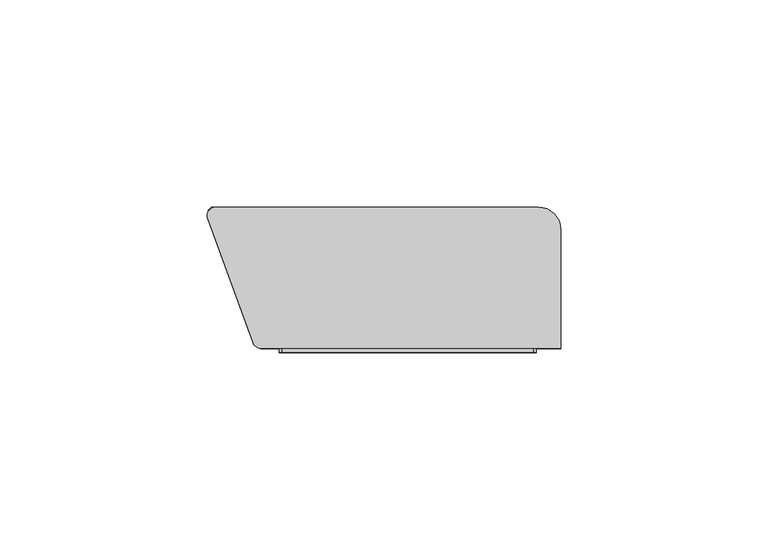
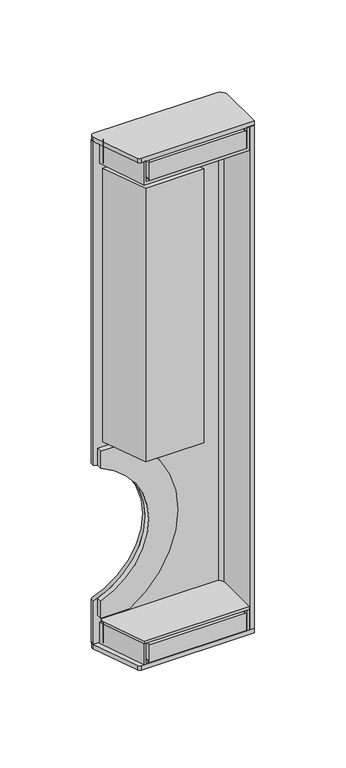
"""IFC4 building model written with IfcOpenShell, lengths in millimetres: furniture geometry."""

from ifc_helpers import new_model, si_unit, point, frame, frame_2d, origin, place, context, project, spatial, polyline, circle_curve, ellipse_curve, trimmed, segment, composite_curve, outline, extrude, faceted_brep, source, transform, mapped, element, save
from ifc_brep_helpers import plane_surface, cylinder_surface, revolved_surface, advanced_brep


def furniture_0615f9e1(model_context):
    return source(origin(), model_context, "Body", "SolidModel", [
        extrude(outline(composite_curve([segment(polyline([(739.2750046, 138.153145), (727.7572597, 138.153145), (727.7572597, 156.3063648)]), True, "CONTINUOUS"), segment(trimmed(circle_curve(frame_2d((784.1500566, 120.2508868)), 66.9338856), [point((727.7572597, 156.3063648))], [point((840.5428535, 156.3063648))], False, "CARTESIAN"), True, "CONTINUOUS"), segment(polyline([(840.5428535, 156.3063648), (840.5428535, 138.153145), (829.0251086, 138.153145)]), True, "CONTINUOUS"), segment(trimmed(circle_curve(frame_2d((784.1500566, 120.2508868)), 48.3141919), [point((829.0251086, 138.153145))], [point((739.2750046, 138.153145))], True, "CARTESIAN"), True, "CONTINUOUS")], self_intersect=False)), frame((0.0, -12.7402598, 0.0), z_axis=(0.0, 1.0, 0.0), x_axis=(0.0, 0.0, 1.0)), (0.0, 0.0, 1.0), 3.4491161),
        advanced_brep(
        [(135.3008658, -9.2911437, 1048.999833), (215.1902302, -9.2911437, 1048.999833), (217.3010361, -11.4019495, 1048.999833), (217.3010361, -40.2929389, 1048.999833), (220.3010118, -40.2929389, 1048.999833), (220.3010118, -11.6438562, 1048.999833), (214.9483551, -6.2911995, 1048.999833), (136.0010118, -6.2911769, 1048.999833), (135.3008658, -6.991323, 1048.999833), (135.3008658, -9.2911437, 709.0005943), (135.3008658, -6.991323, 709.0005943), (136.0010118, -6.2911769, 709.0005943), (214.9483551, -6.2911769, 709.0005943), (220.3010118, -11.6438562, 709.0005943), (220.3010118, -40.2929389, 709.0005943), (217.3010361, -40.2929389, 709.0005943), (217.3010361, -11.4019495, 709.0005943), (215.1902302, -9.2911437, 709.0005943), (135.3008658, -9.2911437, 830.0603961), (135.3008658, -9.2911437, 738.2397171), (136.0010118, -6.2911769, 738.4751762), (136.0010118, -6.2911769, 829.824937), (135.3008658, -6.991323, 830.0603961), (135.3008658, -6.991323, 738.2397171)],
        [
            (0, 1),
            (1, 2, circle_curve(frame((215.1902302, -11.4019495, 1048.999833), z_axis=(0.0, 0.0, -1.0), x_axis=(1.0, 0.0, 0.0)), 2.1108059)),
            (2, 3),
            (3, 4),
            (4, 5),
            (5, 6, circle_curve(frame((214.9483551, -11.6438562, 1048.999833), z_axis=(0.0, 0.0, 1.0), x_axis=(1.0, 0.0, 0.0)), 5.3526567)),
            (6, 7),
            (7, 8),
            (8, 0),
            (9, 10),
            (10, 11),
            (11, 12),
            (12, 13, circle_curve(frame((214.9483551, -11.6438562, 709.0005943), z_axis=(0.0, 0.0, -1.0), x_axis=(1.0, 0.0, 0.0)), 5.3526567)),
            (13, 14),
            (14, 15),
            (15, 16),
            (16, 17, circle_curve(frame((215.1902302, -11.4019495, 709.0005943), z_axis=(0.0, 0.0, 1.0), x_axis=(1.0, 0.0, 0.0)), 2.1108059)),
            (17, 9),
            (0, 18),
            (18, 19, circle_curve(frame((120.2508868, -9.2911437, 784.1500566), z_axis=(0.0, 1.0, 0.0), x_axis=(-1.0, 0.0, 0.0)), 48.3141919)),
            (19, 9),
            (17, 1),
            (16, 2),
            (15, 3),
            (4, 14),
            (13, 5),
            (12, 6),
            (11, 20),
            (20, 21, circle_curve(frame((120.2508868, -6.2911769, 784.1500566), z_axis=(0.0, -1.0, 0.0), x_axis=(-1.0, 0.0, 0.0)), 48.3141919)),
            (21, 7),
            (21, 22, ellipse_curve(frame((120.2508868, -22.0413019, 784.1500566), z_axis=(0.707106781186547, -0.7071067811865481, 0.0), x_axis=(0.7071067811865481, 0.7071067811865469, 0.0)), 68.3265854, 48.3141919)),
            (22, 8),
            (10, 23),
            (23, 20, ellipse_curve(frame((120.2508868, -22.0413019, 784.1500566), z_axis=(0.707106781186547, -0.7071067811865481, 0.0), x_axis=(0.7071067811865481, 0.7071067811865469, 0.0)), 68.3265854, 48.3141919)),
            (22, 18),
            (19, 23),
        ],
        [
            plane_surface(frame((215.3290293, -9.2911437, 1048.999833), z_axis=(0.0, 0.0, 1.0), x_axis=(1.0, 0.0, 0.0))),
            plane_surface(frame((215.3290293, -9.2911437, 709.0005943), z_axis=(0.0, 0.0, -1.0), x_axis=(-1.0, 0.0, 0.0))),
            plane_surface(frame((135.3008658, -9.2911437, 1048.999833), z_axis=(0.0, -1.0, 0.0), x_axis=(0.0, 0.0, -1.0))),
            revolved_surface(polyline([(217.3010361, -11.4019495, 709.0005943), (217.3010361, -11.4019495, 1048.999833)]), (215.1902302, -11.4019495, 709.0005943), (0.0, 0.0, -1.0)),
            plane_surface(frame((217.3010361, -11.4019495, 1048.999833), z_axis=(-1.0, 0.0, 0.0), x_axis=(0.0, 0.0, -1.0))),
            plane_surface(frame((220.3010118, -40.2929389, 1048.999833), z_axis=(1.0, 0.0, 0.0), x_axis=(0.0, 0.0, -1.0))),
            cylinder_surface(frame((214.9483551, -11.6438562, 709.0005943), z_axis=(0.0, 0.0, 1.0), x_axis=(1.0, 0.0, 0.0)), 5.3526567),
            plane_surface(frame((214.9483551, -6.2911769, 1048.999833), z_axis=(0.0, 1.0, 0.0), x_axis=(0.0, 0.0, -1.0))),
            plane_surface(frame((136.0010118, -6.2911769, 1048.999833), z_axis=(-0.707106781186547, 0.7071067811865481, 0.0), x_axis=(0.0, 0.0, -1.0))),
            plane_surface(frame((135.3008658, -6.991323, 1048.999833), z_axis=(-1.0, 0.0, 0.0), x_axis=(0.0, 0.0, -1.0))),
            plane_surface(frame((217.3010361, -40.2929389, 1048.999833), z_axis=(0.0, -1.0, 0.0), x_axis=(0.0, 0.0, -1.0))),
            revolved_surface(polyline([(71.9366949, 26.272889971661712, 784.1500566), (71.9366949, -70.35549377166171, 784.1500566)]), (120.2508868, -92.320845, 784.1500566), (0.0, 1.0, 0.0)),
        ],
        [
            (0, [[1, 2, 3, 4, 5, 6, 7, 8, 9]]),
            (1, [[10, 11, 12, 13, 14, 15, 16, 17, 18]]),
            (2, [[-1, 19, 20, 21, -18, 22]]),
            (3, [[-2, -22, -17, 23]]),
            (4, [[-3, -23, -16, 24]]),
            (5, [[-5, 25, -14, 26]]),
            (6, [[-6, -26, -13, 27]]),
            (7, [[-7, -27, -12, 28, 29, 30]]),
            (8, [[-8, -30, 31, 32]]),
            (8, [[-11, 33, 34, -28]]),
            (9, [[-9, -32, 35, -19]]),
            (9, [[-10, -21, 36, -33]]),
            (10, [[-4, -24, -15, -25]]),
            (11, [[-20, -35, -31, -29, -34, -36]]),
        ],
    ),
        extrude(outline(composite_curve([segment(polyline([(141.572169, -9.291144), (211.9483809, -9.2911634)]), True, "CONTINUOUS"), segment(trimmed(circle_curve(frame_2d((211.9483794, -14.64382)), 5.3526567), [point((211.9483809, -9.2911634))], [point((217.3010361, -14.64382))], False, "CARTESIAN"), True, "CONTINUOUS"), segment(polyline([(217.3010361, -14.64382), (217.3010361, -40.2929389), (150.033819, -40.2929389), (139.7153137, -11.9430052)]), True, "CONTINUOUS"), segment(trimmed(circle_curve(frame_2d((141.5721685, -11.267167)), 1.976023), [point((139.7153137, -11.9430052))], [point((141.572169, -9.291144))], False, "CARTESIAN"), True, "CONTINUOUS")], self_intersect=False)), frame((0.0, 0.0, 723.0000525), z_axis=(0.0, 0.0, 1.0), x_axis=(1.0, 0.0, 0.0)), (0.0, 0.0, 1.0), 1.799777),
        extrude(outline(composite_curve([segment(polyline([(722.0183092, 213.8121175), (722.0183092, 153.0620494)]), True, "CONTINUOUS"), segment(trimmed(circle_curve(frame_2d((721.3933362, 153.0620494)), 0.624973), [point((722.0183092, 153.0620494))], [point((721.3933362, 152.4370764))], False, "CARTESIAN"), True, "CONTINUOUS"), segment(polyline([(721.3933362, 152.4370764), (710.6399261, 152.4370764)]), True, "CONTINUOUS"), segment(trimmed(circle_curve(frame_2d((710.6399261, 153.0586916)), 0.6216152), [point((710.6399261, 152.4370764))], [point((710.0183109, 153.0586916))], False, "CARTESIAN"), True, "CONTINUOUS"), segment(polyline([(710.0183109, 153.0586916), (710.0183109, 213.8191812)]), True, "CONTINUOUS"), segment(trimmed(circle_curve(frame_2d((710.6362202, 213.8191812)), 0.6179093), [point((710.0183109, 213.8191812))], [point((710.6362202, 214.4370905))], False, "CARTESIAN"), True, "CONTINUOUS"), segment(polyline([(710.6362202, 214.4370905), (721.3933362, 214.4370905)]), True, "CONTINUOUS"), segment(trimmed(circle_curve(frame_2d((721.3933362, 213.8121175)), 0.624973), [point((721.3933362, 214.4370905))], [point((722.0183092, 213.8121175))], False, "CARTESIAN"), True, "CONTINUOUS")], self_intersect=False)), frame((0.0, -41.2911236, 0.0), z_axis=(0.0, 1.0, 0.0), x_axis=(0.0, 0.0, 1.0)), (0.0, 0.0, 1.0), 6.2443514),
        faceted_brep([(215.745223, -9.2911467, 709.7000177), (215.745223, -9.2911467, 723.0000525), (217.3008664, -9.2911467, 723.0000525), (217.3008664, -9.2911467, 708.9985613), (138.883538, -9.2911467, 708.9985613), (138.883538, -9.2911467, 723.0000525), (139.8191054, -9.2911467, 723.0000525), (139.8191054, -9.2911467, 709.7000177), (215.745223, -40.2911911, 709.7000177), (150.9792492, -40.2911911, 709.7000177), (150.9792492, -40.2911911, 723.0000525), (150.0331829, -40.2911911, 723.0000525), (150.0331829, -40.2911911, 708.9985613), (217.3008664, -40.2911911, 708.9985613), (217.3008664, -40.2911911, 723.0000525), (215.745223, -40.2911911, 723.0000525)], [[[0, 1, 2, 3, 4, 5, 6, 7]], [[8, 9, 10, 11, 12, 13, 14, 15]], [[8, 15, 1, 0]], [[15, 14, 2, 1]], [[14, 13, 3, 2]], [[13, 12, 4, 3]], [[12, 11, 5, 4]], [[11, 10, 6, 5]], [[10, 9, 7, 6]], [[9, 8, 0, 7]]]),
        extrude(outline(composite_curve([segment(polyline([(142.6516228, -9.2911443), (210.3925678, -9.2911629)]), True, "CONTINUOUS"), segment(trimmed(circle_curve(frame_2d((210.3925663, -14.6438196)), 5.3526567), [point((210.3925678, -9.2911629))], [point((215.745223, -14.6438196))], False, "CARTESIAN"), True, "CONTINUOUS"), segment(polyline([(215.745223, -14.6438196), (215.745223, -35.0467722), (149.2038291, -35.0467722), (140.7947674, -11.9430055)]), True, "CONTINUOUS"), segment(trimmed(circle_curve(frame_2d((142.6516222, -11.2671673)), 1.976023), [point((140.7947674, -11.9430055))], [point((142.6516228, -9.2911443))], False, "CARTESIAN"), True, "CONTINUOUS")], self_intersect=False)), frame((0.0, 0.0, 708.9987302), z_axis=(0.0, 0.0, 1.0), x_axis=(1.0, 0.0, 0.0)), (0.0, 0.0, 1.0), 14.0013223),
        extrude(outline(composite_curve([segment(polyline([(1047.9997198, 213.8121175), (1047.9997198, 153.0620494)]), True, "CONTINUOUS"), segment(trimmed(circle_curve(frame_2d((1047.3747468, 153.0620494)), 0.624973), [point((1047.9997198, 153.0620494))], [point((1047.3747468, 152.4370764))], False, "CARTESIAN"), True, "CONTINUOUS"), segment(polyline([(1047.3747468, 152.4370764), (1036.6213367, 152.4370764)]), True, "CONTINUOUS"), segment(trimmed(circle_curve(frame_2d((1036.6213367, 153.0586916)), 0.6216152), [point((1036.6213367, 152.4370764))], [point((1035.9997215, 153.0586916))], False, "CARTESIAN"), True, "CONTINUOUS"), segment(polyline([(1035.9997215, 153.0586916), (1035.9997215, 213.8191812)]), True, "CONTINUOUS"), segment(trimmed(circle_curve(frame_2d((1036.6176308, 213.8191812)), 0.6179093), [point((1035.9997215, 213.8191812))], [point((1036.6176308, 214.4370905))], False, "CARTESIAN"), True, "CONTINUOUS"), segment(polyline([(1036.6176308, 214.4370905), (1047.3747468, 214.4370905)]), True, "CONTINUOUS"), segment(trimmed(circle_curve(frame_2d((1047.3747468, 213.8121175)), 0.624973), [point((1047.3747468, 214.4370905))], [point((1047.9997198, 213.8121175))], False, "CARTESIAN"), True, "CONTINUOUS")], self_intersect=False)), frame((0.0, -41.291126, 0.0), z_axis=(0.0, 1.0, 0.0), x_axis=(0.0, 0.0, 1.0)), (0.0, 0.0, 1.0), 6.2443538),
        faceted_brep([(215.745223, -9.2911467, 1034.9997341), (215.745223, -9.2911467, 1048.999833), (217.3008664, -9.2911467, 1048.999833), (217.3008664, -9.2911467, 1033.1997955), (138.883538, -9.2911467, 1033.1997955), (138.883538, -9.2911467, 1049.0003919), (139.8191054, -9.2911467, 1049.0003919), (139.8191054, -9.2911467, 1034.9997341), (215.745223, -40.2911911, 1034.9997341), (150.9792492, -40.2911911, 1034.9997341), (150.9792492, -40.2911911, 1048.999833), (150.0331829, -40.2911911, 1048.999833), (150.0331829, -40.2911911, 1033.1997955), (217.3008664, -40.2911911, 1033.1997955), (217.3008664, -40.2911911, 1048.999833), (215.745223, -40.2911911, 1048.999833)], [[[0, 1, 2, 3, 4, 5, 6, 7]], [[8, 9, 10, 11, 12, 13, 14, 15]], [[8, 15, 1, 0]], [[15, 14, 2, 1]], [[14, 13, 3, 2]], [[13, 12, 4, 3]], [[12, 11, 5, 4]], [[11, 10, 6, 5]], [[10, 9, 7, 6]], [[9, 8, 0, 7]]]),
        extrude(outline(composite_curve([segment(polyline([(142.6516228, -9.2911443), (211.9483809, -9.2911634)]), True, "CONTINUOUS"), segment(trimmed(circle_curve(frame_2d((211.9483794, -14.64382)), 5.3526567), [point((211.9483809, -9.2911634))], [point((217.3010361, -14.64382))], False, "CARTESIAN"), True, "CONTINUOUS"), segment(polyline([(217.3010361, -14.64382), (217.3010361, -35.0467722), (149.2038291, -35.0467722), (140.7947674, -11.9430055)]), True, "CONTINUOUS"), segment(trimmed(circle_curve(frame_2d((142.6516222, -11.2671673)), 1.976023), [point((140.7947674, -11.9430055))], [point((142.6516228, -9.2911443))], False, "CARTESIAN"), True, "CONTINUOUS")], self_intersect=False)), frame((0.0, 0.0, 1033.1999645), z_axis=(0.0, 0.0, 1.0), x_axis=(1.0, 0.0, 0.0)), (0.0, 0.0, 1.0), 15.8004274),
        extrude(outline(composite_curve([segment(polyline([(137.0310218, -6.291178), (214.9483566, -6.2911995)]), True, "CONTINUOUS"), segment(trimmed(circle_curve(frame_2d((214.9483551, -11.6438562)), 5.3526567), [point((214.9483566, -6.2911995))], [point((220.3010118, -11.6438562))], False, "CARTESIAN"), True, "CONTINUOUS"), segment(polyline([(220.3010118, -11.6438562), (220.3010118, -40.2929389), (147.997501, -40.2929389)]), True, "CONTINUOUS"), segment(trimmed(circle_curve(frame_2d((147.997501, -38.2750622)), 2.0178767), [point((147.997501, -40.2929389))], [point((146.1013166, -38.9652151))], False, "CARTESIAN"), True, "CONTINUOUS"), segment(polyline([(146.1013166, -38.9652151), (135.1741664, -8.9430392)]), True, "CONTINUOUS"), segment(trimmed(circle_curve(frame_2d((137.0310212, -8.2672011)), 1.976023), [point((135.1741664, -8.9430392))], [point((137.0310218, -6.291178))], False, "CARTESIAN"), True, "CONTINUOUS")], self_intersect=False)), frame((0.0, 0.0, 706.0), z_axis=(0.0, 0.0, 1.0), x_axis=(1.0, 0.0, 0.0)), (0.0, 0.0, 1.0), 2.9987302),
        extrude(outline(polyline([(178.8998411, -10.7912082), (188.6413488, -39.2911999), (151.5135932, -39.2911999), (140.5088337, -10.7912082), (178.8998411, -10.7912082)])), frame((0.0, 0.0, 844.9566673), z_axis=(0.0, 0.0, 1.0), x_axis=(1.0, 0.0, 0.0)), (0.0, 0.0, 1.0), 184.986423),
        extrude(outline(composite_curve([segment(polyline([(137.0310218, -6.291178), (214.9483566, -6.2911995)]), True, "CONTINUOUS"), segment(trimmed(circle_curve(frame_2d((214.9483551, -11.6438562)), 5.3526567), [point((214.9483566, -6.2911995))], [point((220.3010118, -11.6438562))], False, "CARTESIAN"), True, "CONTINUOUS"), segment(polyline([(220.3010118, -11.6438562), (220.3010118, -40.2929389), (147.997501, -40.2929389)]), True, "CONTINUOUS"), segment(trimmed(circle_curve(frame_2d((147.997501, -38.2750622)), 2.0178767), [point((147.997501, -40.2929389))], [point((146.1013166, -38.9652151))], False, "CARTESIAN"), True, "CONTINUOUS"), segment(polyline([(146.1013166, -38.9652151), (135.1741664, -8.9430392)]), True, "CONTINUOUS"), segment(trimmed(circle_curve(frame_2d((137.0310212, -8.2672011)), 1.976023), [point((135.1741664, -8.9430392))], [point((137.0310218, -6.291178))], False, "CARTESIAN"), True, "CONTINUOUS")], self_intersect=False)), frame((0.0, 0.0, 1049.0003919), z_axis=(0.0, 0.0, 1.0), x_axis=(1.0, 0.0, 0.0)), (0.0, 0.0, 1.0), 2.9993462),
    ])


if __name__ == "__main__":
    model = new_model("IFC4")
    model_context = context("Model", 3, world=origin())
    ifc_project = project(units=[si_unit("LENGTHUNIT", "METRE", prefix="MILLI")], contexts=[model_context])
    site = spatial("IfcSite", under=ifc_project)
    building = spatial("IfcBuilding", under=site)
    placement = place(None, origin())
    furniture_shape = furniture_0615f9e1(model_context)
    element("IfcFurniture", 1, at=placement, inside=building, context=model_context, shape_type="MappedRepresentation", body=[
        mapped(furniture_shape, transform((0.0, 0.0, 0.0), x_axis=(1.0, 0.0, 0.0), y_axis=(0.0, 1.0, 0.0), z_axis=(0.0, 0.0, 1.0))),
    ])
    save(model, "model.ifc")
